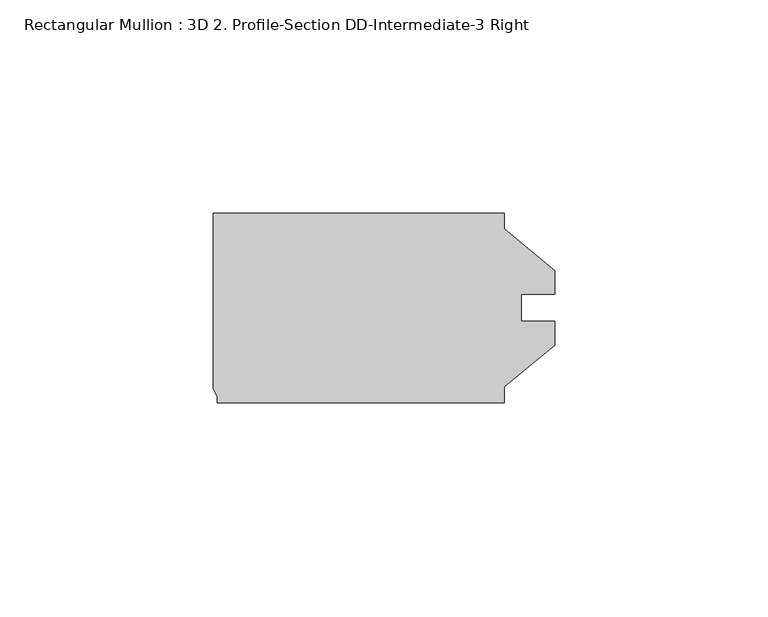
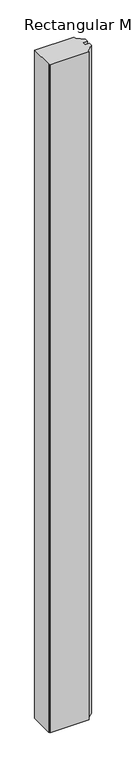
"""IFC4 building model written with IfcOpenShell, lengths in millimetres: member geometry, Rectangular Mullion : 3D 2. Profile-Section DD-Intermediate-3 Right."""

import ifcopenshell
import ifcopenshell.guid

model = None  # the IFC model being written
_history = None  # IfcOwnerHistory: only IFC2X3 demands one
_inside = {}  # id of a spatial element -> (the spatial element, [elements in it])
_under = {}  # id of a project, library or spatial element -> (it, [spatial elements below it])
_declared = {}  # id of a project -> (the project, [libraries it declares])
_typed = {}  # id of a type object -> (the type object, [elements of that type])
_made_of = {}  # id of a material, layer set ... -> (it, [elements and type objects made of it])


def new_model(schema):
    """Start an empty IFC model of exactly this schema.

    Asked for "IFC4X3", IfcOpenShell would pick the latest addendum, in which some entities
    have other attributes; the version numbers below select the first issue.
    IFC2X3 requires an IfcOwnerHistory on every rooted entity: one is made here for all.
    """
    global model, _history
    if schema == "IFC4X3":
        model = ifcopenshell.file(schema_version=(4, 3, 0, 0))
    else:
        model = ifcopenshell.file(schema=schema)
    _inside.clear()
    _under.clear()
    _declared.clear()
    _typed.clear()
    _made_of.clear()
    _history = None
    if model.schema == "IFC2X3":
        org = make("IfcOrganization", Name="unknown")
        user = make(
            "IfcPersonAndOrganization",
            ThePerson=make("IfcPerson", FamilyName="unknown"),
            TheOrganization=org,
        )
        app = make(
            "IfcApplication",
            ApplicationDeveloper=org,
            Version="unknown",
            ApplicationFullName="unknown",
            ApplicationIdentifier="unknown",
        )
        _history = make(
            "IfcOwnerHistory",
            OwningUser=user,
            OwningApplication=app,
            ChangeAction="ADDED",
            CreationDate=0,
        )
    return model


def make(cls, **values):
    """One entity of the class cls with the attributes given. An attribute that is None is left unset."""
    return model.create_entity(
        cls, **{name: value for name, value in values.items() if value is not None}
    )


def rooted(cls, **values):
    """An entity with a GlobalId (a new one), such as an element, a storey or a relation."""
    return make(cls, GlobalId=ifcopenshell.guid.new(), OwnerHistory=_history, **values)


def si_unit(unit_type, name, prefix=None):
    """IfcSIUnit, for example si_unit("LENGTHUNIT", "METRE", prefix="MILLI")."""
    return make("IfcSIUnit", UnitType=unit_type, Prefix=prefix, Name=name)


def assignment(units):
    """IfcUnitAssignment: the units of a project."""
    return None if units is None else make("IfcUnitAssignment", Units=units)


def point(xyz):
    """IfcCartesianPoint."""
    return None if xyz is None else make("IfcCartesianPoint", Coordinates=xyz)


def direction(xyz):
    """IfcDirection."""
    return None if xyz is None else make("IfcDirection", DirectionRatios=xyz)


def frame(location, z_axis=None, x_axis=None):
    """IfcAxis2Placement3D, a coordinate frame: its origin and axes. An axis left out is left unset."""
    return make(
        "IfcAxis2Placement3D",
        Location=point(location),
        Axis=direction(z_axis),
        RefDirection=direction(x_axis),
    )


def origin():
    """The frame at (0, 0, 0) with its axes left unset."""
    return frame((0.0, 0.0, 0.0))


def place(relative_to, where):
    """IfcLocalPlacement: puts the frame where relative to a parent placement (None: the world)."""
    return make(
        "IfcLocalPlacement", PlacementRelTo=relative_to, RelativePlacement=where
    )


def context(
    kind, dimensions, precision=None, world=None, true_north=None, identifier=None
):
    """IfcGeometricRepresentationContext, for example the 3D "Model" context."""
    return make(
        "IfcGeometricRepresentationContext",
        ContextIdentifier=identifier,
        ContextType=kind,
        CoordinateSpaceDimension=dimensions,
        Precision=precision,
        WorldCoordinateSystem=world,
        TrueNorth=true_north,
    )


def project(units=None, contexts=None):
    """IfcProject with its units and contexts."""
    return rooted(
        "IfcProject",
        Name="project",
        RepresentationContexts=contexts,
        UnitsInContext=assignment(units),
    )


def spatial(cls, under=None, at=None, **own):
    """A site, building, storey or space (cls), placed at a placement, below another one or the project."""
    s = rooted(cls, ObjectPlacement=at, **own)
    if under is not None:
        _under.setdefault(under.id(), (under, []))[1].append(s)
    return s


def polyline(points):
    """IfcPolyline through the points."""
    return make("IfcPolyline", Points=[point(p) for p in points])


def outline(outer, holes=None, kind="AREA"):
    """IfcArbitraryClosedProfileDef: a profile drawn as a closed curve; with holes, ...WithVoids."""
    if holes is None:
        return make("IfcArbitraryClosedProfileDef", ProfileType=kind, OuterCurve=outer)
    return make(
        "IfcArbitraryProfileDefWithVoids",
        ProfileType=kind,
        OuterCurve=outer,
        InnerCurves=holes,
    )


def extrude(swept, where, along, depth):
    """IfcExtrudedAreaSolid: the profile swept, set in the frame where, extruded along a direction by depth."""
    return make(
        "IfcExtrudedAreaSolid",
        SweptArea=swept,
        Position=where,
        ExtrudedDirection=direction(along),
        Depth=depth,
    )


def shape(context_of_items, identifier, shape_type, items):
    """IfcShapeRepresentation: the items that make up one representation, for example the "Body"."""
    return make(
        "IfcShapeRepresentation",
        ContextOfItems=context_of_items,
        RepresentationIdentifier=identifier,
        RepresentationType=shape_type,
        Items=items,
    )


def source(mapping_origin, context_of_items, identifier, shape_type, items):
    """IfcRepresentationMap: a shape defined once, which mapped items show again and again."""
    return make(
        "IfcRepresentationMap",
        MappingOrigin=mapping_origin,
        MappedRepresentation=shape(context_of_items, identifier, shape_type, items),
    )


def transform(
    local_origin,
    x_axis=None,
    y_axis=None,
    z_axis=None,
    scale=None,
    scale2=None,
    scale3=None,
    uniform=True,
):
    """IfcCartesianTransformationOperator3D, or its non-uniform kind. x_axis, y_axis, z_axis: its Axis1, 2, 3."""
    if uniform:
        return make(
            "IfcCartesianTransformationOperator3D",
            Axis1=direction(x_axis),
            Axis2=direction(y_axis),
            LocalOrigin=point(local_origin),
            Scale=scale,
            Axis3=direction(z_axis),
        )
    return make(
        "IfcCartesianTransformationOperator3DnonUniform",
        Axis1=direction(x_axis),
        Axis2=direction(y_axis),
        LocalOrigin=point(local_origin),
        Scale=scale,
        Axis3=direction(z_axis),
        Scale2=scale2,
        Scale3=scale3,
    )


def mapped(mapping_source, mapping_target):
    """IfcMappedItem: shows the shape of a source again, moved by a transform."""
    return make(
        "IfcMappedItem", MappingSource=mapping_source, MappingTarget=mapping_target
    )


def made_of(thing, what):
    """Note that an element or type object is made of a material, layer set ...; save() writes the relation."""
    if what is not None:
        _made_of.setdefault(what.id(), (what, []))[1].append(thing)
    return thing


def element(
    cls,
    number,
    at=None,
    inside=None,
    cuts=None,
    type_object=None,
    material=None,
    context=None,
    identifier="Body",
    shape_type=None,
    held_by="IfcProductDefinitionShape",
    body=None,
    shapes=None,
    **own,
):
    """One element of the class cls, such as IfcWall. Its Tag is "e" and its number.

    at: its placement. inside: the storey or other place that contains it. cuts: it is an
    opening in that element (IfcRelVoidsElement). A single representation is given by context,
    identifier, shape_type and body (its items); several are given by shapes. held_by: the class
    of the entity that holds the representations. save() writes the other relations.
    """
    e = rooted(cls, Tag="e%d" % number, ObjectPlacement=at, **own)
    if body is not None:
        shapes = [shape(context, identifier, shape_type, body)]
    if shapes is not None:
        e.Representation = make(held_by, Representations=shapes)
    if inside is not None:
        _inside.setdefault(inside.id(), (inside, []))[1].append(e)
    if cuts is not None:
        rooted(
            "IfcRelVoidsElement", RelatingBuildingElement=cuts, RelatedOpeningElement=e
        )
    if type_object is not None:
        _typed.setdefault(type_object.id(), (type_object, []))[1].append(e)
    return made_of(e, material)


def aggregate(whole, parts):
    """IfcRelAggregates: a whole, such as a stair, and the parts it consists of."""
    return rooted("IfcRelAggregates", RelatingObject=whole, RelatedObjects=parts)


def save(model, path):
    """Write the relations noted so far, then the file.

    IfcRelAggregates (storeys below a building ...), IfcRelContainedInSpatialStructure (elements
    in a storey), IfcRelDefinesByType, IfcRelAssociatesMaterial and IfcRelDeclares: one each for
    every whole, place, type object, material and project.
    """
    for whole, parts in _under.values():
        aggregate(whole, parts)
    for where, things in _inside.values():
        rooted(
            "IfcRelContainedInSpatialStructure",
            RelatedElements=things,
            RelatingStructure=where,
        )
    for kind, things in _typed.values():
        rooted("IfcRelDefinesByType", RelatedObjects=things, RelatingType=kind)
    for what, things in _made_of.values():
        rooted("IfcRelAssociatesMaterial", RelatedObjects=things, RelatingMaterial=what)
    for by, libraries in _declared.values():
        rooted("IfcRelDeclares", RelatingContext=by, RelatedDefinitions=libraries)
    model.write(path)


def rectangular_mullion_3d_2_profile_section_dd_intermediate_3_6e7ed676(model_context):
    return source(origin(), model_context, "Body", "SweptSolid", [
        extrude(outline(polyline([(68.2625, -18.5136261), (68.2625, -22.225), (1.016, -22.225), (1.016, -20.7843636), (0.0, -19.0246), (0.0, 22.225), (68.25615, 22.225), (68.25615, 18.518836), (80.1624, 8.7503), (80.1624, 3.175), (72.2249, 3.175), (72.2249, -3.175), (80.1624, -3.175), (80.1624, -8.7503), (68.2625, -18.5136261)])), frame((0.0, 0.0, -1219.2), z_axis=(0.0, 0.0, 1.0), x_axis=(1.0, 0.0, 0.0)), (0.0, 0.0, 1.0), 1219.2),
    ])


if __name__ == "__main__":
    model = new_model("IFC4")
    model_context = context("Model", 3, world=origin())
    ifc_project = project(units=[si_unit("LENGTHUNIT", "METRE", prefix="MILLI")], contexts=[model_context])
    site = spatial("IfcSite", under=ifc_project)
    building = spatial("IfcBuilding", under=site)
    placement = place(None, origin())
    rectangular_mullion_3d_2_profile_section_dd_intermediate_3_shape = rectangular_mullion_3d_2_profile_section_dd_intermediate_3_6e7ed676(model_context)
    element("IfcMember", 1, ObjectType="Rectangular Mullion : 3D 2. Profile-Section DD-Intermediate-3 Right", at=placement, inside=building, context=model_context, shape_type="MappedRepresentation", body=[
        mapped(rectangular_mullion_3d_2_profile_section_dd_intermediate_3_shape, transform((0.0, 0.0, 0.0), x_axis=(1.0, 0.0, 0.0), y_axis=(0.0, 1.0, 0.0), z_axis=(0.0, 0.0, 1.0))),
    ])
    save(model, "model.ifc")
